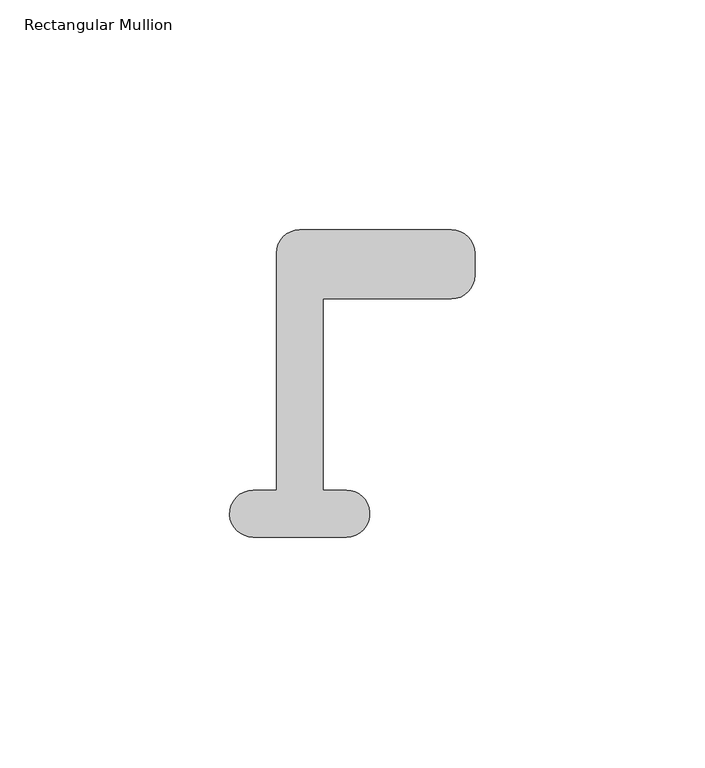
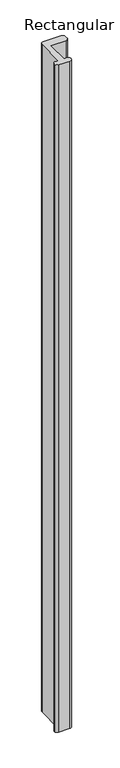
"""IFC4 building model written with IfcOpenShell, lengths in millimetres: member geometry, Rectangular Mullion."""

from ifc_helpers import new_model, si_unit, point, frame, frame_2d, origin, place, context, project, spatial, polyline, circle_curve, trimmed, segment, composite_curve, outline, extrude, source, transform, mapped, element, save


def rectangular_mullion_c5ffca4b(model_context):
    return source(origin(), model_context, "Body", "SweptSolid", [
        extrude(outline(composite_curve([segment(polyline([(10.16, -50.8), (-10.16, -50.8)]), True, "CONTINUOUS"), segment(trimmed(circle_curve(frame_2d((-10.16, -45.72)), 5.08), [point((-10.16, -50.8))], [point((-15.2363394, -45.9128168))], False, "CARTESIAN"), True, "CONTINUOUS"), segment(trimmed(circle_curve(frame_2d((-10.16, -45.72)), 5.08), [point((-15.2363394, -45.9128168))], [point((-10.16, -40.64))], False, "CARTESIAN"), True, "CONTINUOUS"), segment(polyline([(-10.16, -40.64), (-5.08, -40.64), (-5.08, 10.922)]), True, "CONTINUOUS"), segment(trimmed(circle_curve(frame_2d((0.0, 10.922)), 5.08), [point((-5.08, 10.922))], [point((0.0, 16.002))], False, "CARTESIAN"), True, "CONTINUOUS"), segment(polyline([(0.0, 16.002), (33.02, 16.002)]), True, "CONTINUOUS"), segment(trimmed(circle_curve(frame_2d((33.02, 10.922)), 5.08), [point((33.02, 16.002))], [point((38.1, 10.922))], False, "CARTESIAN"), True, "CONTINUOUS"), segment(polyline([(38.1, 10.922), (38.1, 6.096)]), True, "CONTINUOUS"), segment(trimmed(circle_curve(frame_2d((33.02, 6.096)), 5.08), [point((38.1, 6.096))], [point((33.02, 1.016))], False, "CARTESIAN"), True, "CONTINUOUS"), segment(polyline([(33.02, 1.016), (5.08, 1.016), (5.08, -40.64), (10.16, -40.64)]), True, "CONTINUOUS"), segment(trimmed(circle_curve(frame_2d((10.16, -45.72)), 5.08), [point((10.16, -40.64))], [point((15.2293868, -45.3917964))], False, "CARTESIAN"), True, "CONTINUOUS"), segment(trimmed(circle_curve(frame_2d((10.16, -45.72)), 5.08), [point((15.2293868, -45.3917964))], [point((10.16, -50.8))], False, "CARTESIAN"), True, "CONTINUOUS")], self_intersect=False)), frame((0.0, 0.0, -1285.875), z_axis=(0.0, 0.0, 1.0), x_axis=(1.0, 0.0, 0.0)), (0.0, 0.0, 1.0), 1285.875),
    ])


if __name__ == "__main__":
    model = new_model("IFC4")
    model_context = context("Model", 3, world=origin())
    ifc_project = project(units=[si_unit("LENGTHUNIT", "METRE", prefix="MILLI")], contexts=[model_context])
    site = spatial("IfcSite", under=ifc_project)
    building = spatial("IfcBuilding", under=site)
    placement = place(None, origin())
    rectangular_mullion_shape = rectangular_mullion_c5ffca4b(model_context)
    element("IfcMember", 1, ObjectType="Rectangular Mullion", at=placement, inside=building, context=model_context, shape_type="MappedRepresentation", body=[
        mapped(rectangular_mullion_shape, transform((0.0, 0.0, 0.0), x_axis=(1.0, 0.0, 0.0), y_axis=(0.0, 1.0, 0.0), z_axis=(0.0, 0.0, 1.0))),
    ])
    save(model, "model.ifc")
